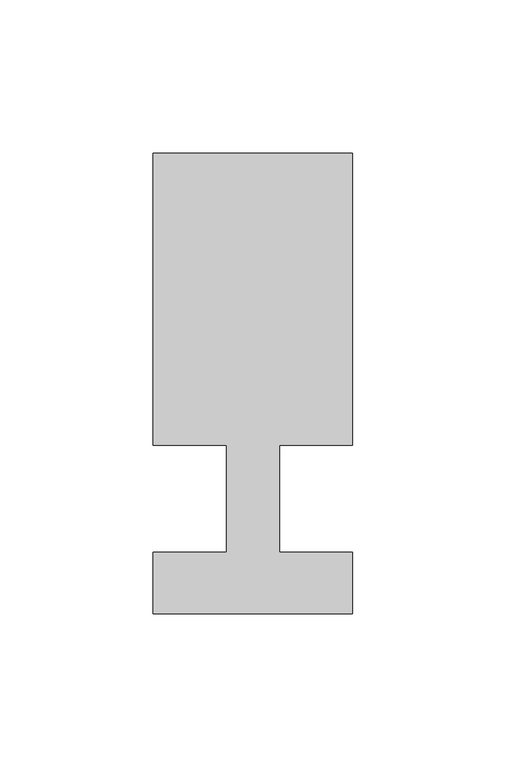
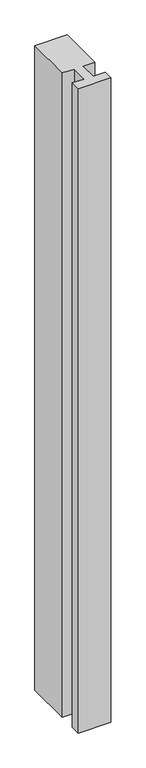
"""IFC4 building model written with IfcOpenShell, lengths in millimetres: member geometry."""

from ifc_helpers import new_model, si_unit, frame, origin, place, context, project, spatial, polyline, outline, extrude, source, transform, mapped, element, save


def member_5b0b7366(model_context):
    return source(origin(), model_context, "Body", "SweptSolid", [
        extrude(outline(polyline([(-65.0, -37.0), (-65.0, -17.0), (-41.1875, -17.0), (-41.1875, 18.0), (-65.0, 18.0), (-65.0, 113.0), (0.0, 113.0), (0.0, 18.0), (-23.8125, 18.0), (-23.8125, -17.0), (0.0, -17.0), (0.0, -37.0), (-65.0, -37.0)])), frame((0.0, 0.0, -1361.1875), z_axis=(0.0, 0.0, 1.0), x_axis=(1.0, 0.0, 0.0)), (0.0, 0.0, 1.0), 1361.1875),
    ])


if __name__ == "__main__":
    model = new_model("IFC4")
    model_context = context("Model", 3, world=origin())
    ifc_project = project(units=[si_unit("LENGTHUNIT", "METRE", prefix="MILLI")], contexts=[model_context])
    site = spatial("IfcSite", under=ifc_project)
    building = spatial("IfcBuilding", under=site)
    placement = place(None, origin())
    member_shape = member_5b0b7366(model_context)
    element("IfcMember", 1, at=placement, inside=building, context=model_context, shape_type="MappedRepresentation", body=[
        mapped(member_shape, transform((0.0, 0.0, 0.0), x_axis=(1.0, 0.0, 0.0), y_axis=(0.0, 1.0, 0.0), z_axis=(0.0, 0.0, 1.0))),
    ])
    save(model, "model.ifc")
